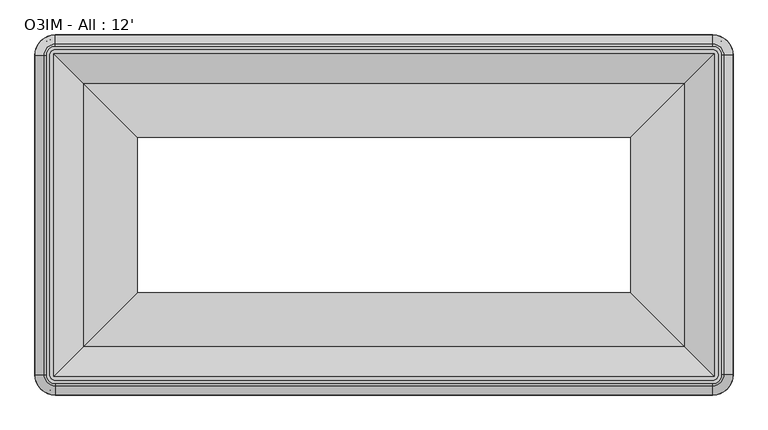
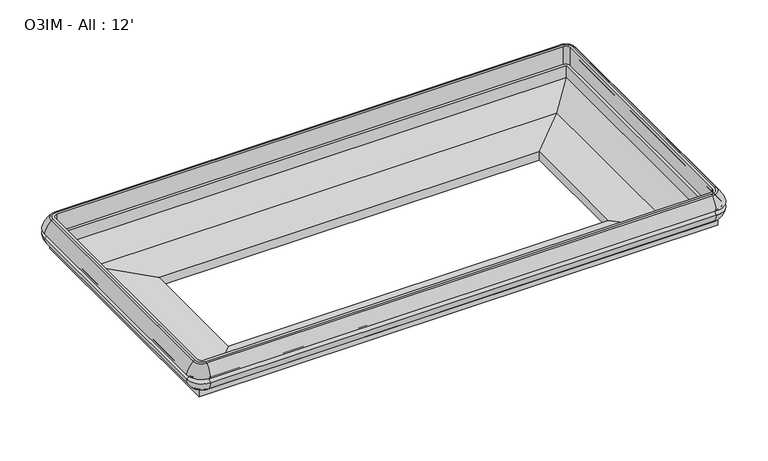
"""IFC4 building model written with IfcOpenShell, lengths in millimetres: proxy geometry, O3IM - All : 12'."""

from ifc_helpers import new_model, si_unit, point, frame, origin, place, context, project, spatial, polyline, circle_curve, ellipse_curve, trimmed, faceted_brep, source, transform, mapped, element, save
from ifc_brep_helpers import plane_surface, cylinder_surface, revolved_surface, advanced_brep


def o3im_all_12_ffe482c5(model_context):
    return source(origin(), model_context, "Body", "SolidModel", [
        advanced_brep(
        [(3821.7474506, -2298.62165, 664.6065482), (3770.3627227, -2350.0063779, 664.6065482), (3770.3627227, -2360.7928007, 660.3792394), (3832.5338734, -2298.62165, 660.3792394), (3801.3161501, -2298.62165, 529.6852408), (3770.3627227, -2329.5750774, 529.6852408), (3770.3627227, -2329.5750774, 664.6065482), (3801.3161501, -2298.62165, 664.6065482), (3816.876808, -2298.62165, 475.7067482), (3770.3627227, -2345.1357353, 475.7067482), (3770.3627227, -2345.1357353, 529.6852408), (3816.876808, -2298.62165, 529.6852408), (3853.8137761, -2298.62165, 477.8552864), (3770.3627227, -2382.0727034, 477.8552864), (3770.3627227, -2377.311378, 475.7067482), (3849.0524507, -2298.62165, 475.7067482), (3883.9869771, -2298.62165, 541.7869334), (3770.3627227, -2412.2459044, 541.7869334), (3883.3308536, -2298.62165, 576.4502877), (3770.3627227, -2411.5897809, 576.4502877), (3832.5338734, -530.0462046, 660.3792394), (3821.7474506, -530.0462046, 664.6065482), (3801.3161501, -530.0462046, 664.6065482), (3801.3161501, -530.0462046, 529.6852408), (3816.876808, -530.0462046, 529.6852408), (3816.876808, -530.0462046, 475.7067482), (3849.0524507, -530.0462046, 475.7067482), (3853.8137761, -530.0462046, 477.8552864), (3883.9869771, -530.0462046, 541.7869334), (3883.3308536, -530.0462046, 576.4502877), (3770.3627227, -478.6614766, 664.6065482), (3770.3627227, -467.8750539, 660.3792394), (3770.3627227, -499.0927772, 529.6852408), (3770.3627227, -499.0927772, 664.6065482), (3770.3627227, -483.5321193, 475.7067482), (3770.3627227, -483.5321193, 529.6852408), (3770.3627227, -446.5951512, 477.8552864), (3770.3627227, -451.3564766, 475.7067482), (3770.3627227, -416.4219502, 541.7869334), (3770.3627227, -417.0780737, 576.4502877), (128.5372773, -467.8750539, 660.3792394), (128.5372773, -478.6614766, 664.6065482), (128.5372773, -499.0927772, 664.6065482), (128.5372773, -499.0927772, 529.6852408), (128.5372773, -483.5321193, 529.6852408), (128.5372773, -483.5321193, 475.7067482), (128.5372773, -451.3564766, 475.7067482), (128.5372773, -446.5951512, 477.8552864), (128.5372773, -416.4219502, 541.7869334), (128.5372773, -417.0780737, 576.4502877), (77.1525494, -530.0462046, 664.6065482), (66.3661266, -530.0462046, 660.3792394), (97.5838499, -530.0462046, 529.6852408), (97.5838499, -530.0462046, 664.6065482), (82.023192, -530.0462046, 475.7067482), (82.023192, -530.0462046, 529.6852408), (45.0862239, -530.0462046, 477.8552864), (49.8475493, -530.0462046, 475.7067482), (14.9130229, -530.0462046, 541.7869334), (15.5691464, -530.0462046, 576.4502877), (66.3661266, -2298.62165, 660.3792394), (77.1525494, -2298.62165, 664.6065482), (97.5838499, -2298.62165, 664.6065482), (97.5838499, -2298.62165, 529.6852408), (82.023192, -2298.62165, 529.6852408), (82.023192, -2298.62165, 475.7067482), (49.8475493, -2298.62165, 475.7067482), (45.0862239, -2298.62165, 477.8552864), (14.9130229, -2298.62165, 541.7869334), (15.5691464, -2298.62165, 576.4502877), (128.5372773, -2350.0063779, 664.6065482), (128.5372773, -2360.7928007, 660.3792394), (128.5372773, -2329.5750774, 529.6852408), (128.5372773, -2329.5750774, 664.6065482), (128.5372773, -2345.1357353, 475.7067482), (128.5372773, -2345.1357353, 529.6852408), (128.5372773, -2382.0727034, 477.8552864), (128.5372773, -2377.311378, 475.7067482), (128.5372773, -2412.2459044, 541.7869334), (128.5372773, -2411.5897809, 576.4502877)],
        [
            (0, 1, circle_curve(frame((3770.3627227, -2298.62165, 664.6065482), z_axis=(0.0, 0.0, -1.0), x_axis=(0.0, -1.0, 0.0)), 51.3847279)),
            (1, 2, circle_curve(frame((3770.3627227, -2350.0063779, 648.7315482), z_axis=(1.0, 0.0, 0.0), x_axis=(0.0, 1.0, 0.0)), 15.875)),
            (2, 3, circle_curve(frame((3770.3627227, -2298.62165, 660.3792394), z_axis=(0.0, 0.0, 1.0), x_axis=(0.0, -1.0, 0.0)), 62.1711507)),
            (3, 0, circle_curve(frame((3821.7474506, -2298.62165, 648.7315482), z_axis=(0.0, -1.0, 0.0), x_axis=(-1.0, 0.0, 0.0)), 15.875)),
            (4, 5, circle_curve(frame((3770.3627227, -2298.62165, 529.6852408), z_axis=(0.0, 0.0, -1.0), x_axis=(0.0, -1.0, 0.0)), 30.9534273)),
            (5, 6),
            (6, 7, circle_curve(frame((3770.3627227, -2298.62165, 664.6065482), z_axis=(0.0, 0.0, 1.0), x_axis=(0.0, -1.0, 0.0)), 30.9534273)),
            (7, 4),
            (8, 9, circle_curve(frame((3770.3627227, -2298.62165, 475.7067482), z_axis=(0.0, 0.0, -1.0), x_axis=(0.0, -1.0, 0.0)), 46.5140852)),
            (9, 10),
            (10, 11, circle_curve(frame((3770.3627227, -2298.62165, 529.6852408), z_axis=(0.0, 0.0, 1.0), x_axis=(0.0, -1.0, 0.0)), 46.5140852)),
            (11, 8),
            (12, 13, circle_curve(frame((3770.3627227, -2298.62165, 477.8552864), z_axis=(0.0, 0.0, -1.0), x_axis=(0.0, -1.0, 0.0)), 83.4510533)),
            (13, 14, circle_curve(frame((3770.3627227, -2377.311378, 482.0567481), z_axis=(1.0, 0.0, 0.0), x_axis=(0.0, 1.0, 0.0)), 6.35)),
            (14, 15, circle_curve(frame((3770.3627227, -2298.62165, 475.7067482), z_axis=(0.0, 0.0, 1.0), x_axis=(0.0, -1.0, 0.0)), 78.689728)),
            (15, 12, circle_curve(frame((3849.0524507, -2298.62165, 482.0567481), z_axis=(0.0, -1.0, 0.0), x_axis=(-1.0, 0.0, 0.0)), 6.35)),
            (16, 17, circle_curve(frame((3770.3627227, -2298.62165, 541.7869334), z_axis=(0.0, 0.0, -1.0), x_axis=(0.0, -1.0, 0.0)), 113.6242544)),
            (17, 13, circle_curve(frame((3770.3627227, -2286.8461955, 561.8845207), z_axis=(1.0, 0.0, 0.0), x_axis=(0.0, 1.0, 0.0)), 127.0)),
            (12, 16, circle_curve(frame((3758.5872682, -2298.62165, 561.8845207), z_axis=(0.0, -1.0, 0.0), x_axis=(-1.0, 0.0, 0.0)), 127.0)),
            (18, 19, circle_curve(frame((3770.3627227, -2298.62165, 576.4502877), z_axis=(0.0, 0.0, -1.0), x_axis=(0.0, -1.0, 0.0)), 112.9681309)),
            (19, 17, circle_curve(frame((3770.3627227, -2409.555689, 559.0738987), z_axis=(-1.0, 0.0, 0.0), x_axis=(0.0, 1.0, 0.0)), 17.49504)),
            (16, 18, circle_curve(frame((3881.2967617, -2298.62165, 559.0738987), z_axis=(0.0, 1.0, 0.0), x_axis=(-1.0, 0.0, 0.0)), 17.49504)),
            (2, 19, circle_curve(frame((3770.3627227, -2239.9848663, 529.9250981), z_axis=(1.0, 0.0, 0.0), x_axis=(0.0, 1.0, 0.0)), 177.7999999)),
            (18, 3, circle_curve(frame((3711.725939, -2298.62165, 529.9250981), z_axis=(0.0, -1.0, 0.0), x_axis=(-1.0, 0.0, 0.0)), 177.7999999)),
            (3, 20),
            (20, 21, circle_curve(frame((3821.7474506, -530.0462046, 648.7315482), z_axis=(0.0, -1.0, 0.0), x_axis=(-1.0, 0.0, 0.0)), 15.875)),
            (21, 0),
            (7, 22),
            (22, 23),
            (23, 4),
            (11, 24),
            (24, 25),
            (25, 8),
            (15, 26),
            (26, 27, circle_curve(frame((3849.0524507, -530.0462046, 482.0567481), z_axis=(0.0, -1.0, 0.0), x_axis=(-1.0, 0.0, 0.0)), 6.35)),
            (27, 12),
            (27, 28, circle_curve(frame((3758.5872682, -530.0462046, 561.8845207), z_axis=(0.0, -1.0, 0.0), x_axis=(-1.0, 0.0, 0.0)), 127.0)),
            (28, 16),
            (28, 29, circle_curve(frame((3881.2967617, -530.0462046, 559.0738987), z_axis=(0.0, 1.0, 0.0), x_axis=(-1.0, 0.0, 0.0)), 17.49504)),
            (29, 18),
            (29, 20, circle_curve(frame((3711.725939, -530.0462046, 529.9250981), z_axis=(0.0, -1.0, 0.0), x_axis=(-1.0, 0.0, 0.0)), 177.7999999)),
            (30, 21, circle_curve(frame((3770.3627227, -530.0462046, 664.6065482), z_axis=(0.0, 0.0, -1.0), x_axis=(1.0, 0.0, 0.0)), 51.3847279)),
            (20, 31, circle_curve(frame((3770.3627227, -530.0462046, 660.3792394), z_axis=(0.0, 0.0, 1.0), x_axis=(1.0, 0.0, 0.0)), 62.1711507)),
            (31, 30, circle_curve(frame((3770.3627227, -478.6614766, 648.7315482), z_axis=(1.0, 0.0, 0.0), x_axis=(0.0, -1.0, 0.0)), 15.875)),
            (32, 23, circle_curve(frame((3770.3627227, -530.0462046, 529.6852408), z_axis=(0.0, 0.0, -1.0), x_axis=(1.0, 0.0, 0.0)), 30.9534273)),
            (22, 33, circle_curve(frame((3770.3627227, -530.0462046, 664.6065482), z_axis=(0.0, 0.0, 1.0), x_axis=(1.0, 0.0, 0.0)), 30.9534273)),
            (33, 32),
            (34, 25, circle_curve(frame((3770.3627227, -530.0462046, 475.7067482), z_axis=(0.0, 0.0, -1.0), x_axis=(1.0, 0.0, 0.0)), 46.5140852)),
            (24, 35, circle_curve(frame((3770.3627227, -530.0462046, 529.6852408), z_axis=(0.0, 0.0, 1.0), x_axis=(1.0, 0.0, 0.0)), 46.5140852)),
            (35, 34),
            (36, 27, circle_curve(frame((3770.3627227, -530.0462046, 477.8552864), z_axis=(0.0, 0.0, -1.0), x_axis=(1.0, 0.0, 0.0)), 83.4510533)),
            (26, 37, circle_curve(frame((3770.3627227, -530.0462046, 475.7067482), z_axis=(0.0, 0.0, 1.0), x_axis=(1.0, 0.0, 0.0)), 78.689728)),
            (37, 36, circle_curve(frame((3770.3627227, -451.3564766, 482.0567481), z_axis=(1.0, 0.0, 0.0), x_axis=(0.0, -1.0, 0.0)), 6.35)),
            (38, 28, circle_curve(frame((3770.3627227, -530.0462046, 541.7869334), z_axis=(0.0, 0.0, -1.0), x_axis=(1.0, 0.0, 0.0)), 113.6242544)),
            (36, 38, circle_curve(frame((3770.3627227, -541.8216591, 561.8845207), z_axis=(1.0, 0.0, 0.0), x_axis=(0.0, -1.0, 0.0)), 127.0)),
            (39, 29, circle_curve(frame((3770.3627227, -530.0462046, 576.4502877), z_axis=(0.0, 0.0, -1.0), x_axis=(1.0, 0.0, 0.0)), 112.9681309)),
            (38, 39, circle_curve(frame((3770.3627227, -419.1121656, 559.0738987), z_axis=(-1.0, 0.0, 0.0), x_axis=(0.0, -1.0, 0.0)), 17.49504)),
            (39, 31, circle_curve(frame((3770.3627227, -588.6829883, 529.9250981), z_axis=(1.0, 0.0, 0.0), x_axis=(0.0, -1.0, 0.0)), 177.7999999)),
            (31, 40),
            (40, 41, circle_curve(frame((128.5372773, -478.6614766, 648.7315482), z_axis=(1.0, 0.0, 0.0), x_axis=(0.0, -1.0, 0.0)), 15.875)),
            (41, 30),
            (33, 42),
            (42, 43),
            (43, 32),
            (35, 44),
            (44, 45),
            (45, 34),
            (37, 46),
            (46, 47, circle_curve(frame((128.5372773, -451.3564766, 482.0567481), z_axis=(1.0, 0.0, 0.0), x_axis=(0.0, -1.0, 0.0)), 6.35)),
            (47, 36),
            (47, 48, circle_curve(frame((128.5372773, -541.8216591, 561.8845207), z_axis=(1.0, 0.0, 0.0), x_axis=(0.0, -1.0, 0.0)), 127.0)),
            (48, 38),
            (48, 49, circle_curve(frame((128.5372773, -419.1121656, 559.0738987), z_axis=(-1.0, 0.0, 0.0), x_axis=(0.0, -1.0, 0.0)), 17.49504)),
            (49, 39),
            (49, 40, circle_curve(frame((128.5372773, -588.6829883, 529.9250981), z_axis=(1.0, 0.0, 0.0), x_axis=(0.0, -1.0, 0.0)), 177.7999999)),
            (50, 41, circle_curve(frame((128.5372773, -530.0462046, 664.6065482), z_axis=(0.0, 0.0, -1.0), x_axis=(0.0, 1.0, 0.0)), 51.3847279)),
            (40, 51, circle_curve(frame((128.5372773, -530.0462046, 660.3792394), z_axis=(0.0, 0.0, 1.0), x_axis=(0.0, 1.0, 0.0)), 62.1711507)),
            (51, 50, circle_curve(frame((77.1525494, -530.0462046, 648.7315482), z_axis=(0.0, 1.0, 0.0), x_axis=(1.0, 0.0, 0.0)), 15.875)),
            (52, 43, circle_curve(frame((128.5372773, -530.0462046, 529.6852408), z_axis=(0.0, 0.0, -1.0), x_axis=(0.0, 1.0, 0.0)), 30.9534273)),
            (42, 53, circle_curve(frame((128.5372773, -530.0462046, 664.6065482), z_axis=(0.0, 0.0, 1.0), x_axis=(0.0, 1.0, 0.0)), 30.9534273)),
            (53, 52),
            (54, 45, circle_curve(frame((128.5372773, -530.0462046, 475.7067482), z_axis=(0.0, 0.0, -1.0), x_axis=(0.0, 1.0, 0.0)), 46.5140852)),
            (44, 55, circle_curve(frame((128.5372773, -530.0462046, 529.6852408), z_axis=(0.0, 0.0, 1.0), x_axis=(0.0, 1.0, 0.0)), 46.5140852)),
            (55, 54),
            (56, 47, circle_curve(frame((128.5372773, -530.0462046, 477.8552864), z_axis=(0.0, 0.0, -1.0), x_axis=(0.0, 1.0, 0.0)), 83.4510533)),
            (46, 57, circle_curve(frame((128.5372773, -530.0462046, 475.7067482), z_axis=(0.0, 0.0, 1.0), x_axis=(0.0, 1.0, 0.0)), 78.689728)),
            (57, 56, circle_curve(frame((49.8475493, -530.0462046, 482.0567481), z_axis=(0.0, 1.0, 0.0), x_axis=(1.0, 0.0, 0.0)), 6.35)),
            (58, 48, circle_curve(frame((128.5372773, -530.0462046, 541.7869334), z_axis=(0.0, 0.0, -1.0), x_axis=(0.0, 1.0, 0.0)), 113.6242544)),
            (56, 58, circle_curve(frame((140.3127318, -530.0462046, 561.8845207), z_axis=(0.0, 1.0, 0.0), x_axis=(1.0, 0.0, 0.0)), 127.0)),
            (59, 49, circle_curve(frame((128.5372773, -530.0462046, 576.4502877), z_axis=(0.0, 0.0, -1.0), x_axis=(0.0, 1.0, 0.0)), 112.9681309)),
            (58, 59, circle_curve(frame((17.6032383, -530.0462046, 559.0738987), z_axis=(0.0, -1.0, 0.0), x_axis=(1.0, 0.0, 0.0)), 17.49504)),
            (59, 51, circle_curve(frame((187.174061, -530.0462046, 529.9250981), z_axis=(0.0, 1.0, 0.0), x_axis=(1.0, 0.0, 0.0)), 177.7999999)),
            (51, 60),
            (60, 61, circle_curve(frame((77.1525494, -2298.62165, 648.7315482), z_axis=(0.0, 1.0, 0.0), x_axis=(1.0, 0.0, 0.0)), 15.875)),
            (61, 50),
            (53, 62),
            (62, 63),
            (63, 52),
            (55, 64),
            (64, 65),
            (65, 54),
            (57, 66),
            (66, 67, circle_curve(frame((49.8475493, -2298.62165, 482.0567481), z_axis=(0.0, 1.0, 0.0), x_axis=(1.0, 0.0, 0.0)), 6.35)),
            (67, 56),
            (67, 68, circle_curve(frame((140.3127318, -2298.62165, 561.8845207), z_axis=(0.0, 1.0, 0.0), x_axis=(1.0, 0.0, 0.0)), 127.0)),
            (68, 58),
            (68, 69, circle_curve(frame((17.6032383, -2298.62165, 559.0738987), z_axis=(0.0, -1.0, 0.0), x_axis=(1.0, 0.0, 0.0)), 17.49504)),
            (69, 59),
            (69, 60, circle_curve(frame((187.174061, -2298.62165, 529.9250981), z_axis=(0.0, 1.0, 0.0), x_axis=(1.0, 0.0, 0.0)), 177.7999999)),
            (70, 61, circle_curve(frame((128.5372773, -2298.62165, 664.6065482), z_axis=(0.0, 0.0, -1.0), x_axis=(-1.0, 0.0, 0.0)), 51.3847279)),
            (60, 71, circle_curve(frame((128.5372773, -2298.62165, 660.3792394), z_axis=(0.0, 0.0, 1.0), x_axis=(-1.0, 0.0, 0.0)), 62.1711507)),
            (71, 70, circle_curve(frame((128.5372773, -2350.0063779, 648.7315482), z_axis=(-1.0, 0.0, 0.0), x_axis=(0.0, 1.0, 0.0)), 15.875)),
            (72, 63, circle_curve(frame((128.5372773, -2298.62165, 529.6852408), z_axis=(0.0, 0.0, -1.0), x_axis=(-1.0, 0.0, 0.0)), 30.9534273)),
            (62, 73, circle_curve(frame((128.5372773, -2298.62165, 664.6065482), z_axis=(0.0, 0.0, 1.0), x_axis=(-1.0, 0.0, 0.0)), 30.9534273)),
            (73, 72),
            (74, 65, circle_curve(frame((128.5372773, -2298.62165, 475.7067482), z_axis=(0.0, 0.0, -1.0), x_axis=(-1.0, 0.0, 0.0)), 46.5140852)),
            (64, 75, circle_curve(frame((128.5372773, -2298.62165, 529.6852408), z_axis=(0.0, 0.0, 1.0), x_axis=(-1.0, 0.0, 0.0)), 46.5140852)),
            (75, 74),
            (76, 67, circle_curve(frame((128.5372773, -2298.62165, 477.8552864), z_axis=(0.0, 0.0, -1.0), x_axis=(-1.0, 0.0, 0.0)), 83.4510533)),
            (66, 77, circle_curve(frame((128.5372773, -2298.62165, 475.7067482), z_axis=(0.0, 0.0, 1.0), x_axis=(-1.0, 0.0, 0.0)), 78.689728)),
            (77, 76, circle_curve(frame((128.5372773, -2377.311378, 482.0567481), z_axis=(-1.0, 0.0, 0.0), x_axis=(0.0, 1.0, 0.0)), 6.35)),
            (78, 68, circle_curve(frame((128.5372773, -2298.62165, 541.7869334), z_axis=(0.0, 0.0, -1.0), x_axis=(-1.0, 0.0, 0.0)), 113.6242544)),
            (76, 78, circle_curve(frame((128.5372773, -2286.8461955, 561.8845207), z_axis=(-1.0, 0.0, 0.0), x_axis=(0.0, 1.0, 0.0)), 127.0)),
            (79, 69, circle_curve(frame((128.5372773, -2298.62165, 576.4502877), z_axis=(0.0, 0.0, -1.0), x_axis=(-1.0, 0.0, 0.0)), 112.9681309)),
            (78, 79, circle_curve(frame((128.5372773, -2409.555689, 559.0738987), z_axis=(1.0, 0.0, 0.0), x_axis=(0.0, 1.0, 0.0)), 17.49504)),
            (79, 71, circle_curve(frame((128.5372773, -2239.9848663, 529.9250981), z_axis=(-1.0, 0.0, 0.0), x_axis=(0.0, 1.0, 0.0)), 177.7999999)),
            (71, 2),
            (1, 70),
            (6, 73),
            (5, 72),
            (10, 75),
            (9, 74),
            (14, 77),
            (13, 76),
            (17, 78),
            (19, 79),
        ],
        [
            revolved_surface(trimmed(ellipse_curve(frame((3770.3627227, -2350.0063779, 648.7315482), z_axis=(-1.0, 0.0, 0.0), x_axis=(0.0, 1.0, 0.0)), 15.875, 15.875), [point((3770.3627227, -2360.7928007, 660.3792394))], [point((3770.3627227, -2350.0063779, 664.6065482))], True, "CARTESIAN"), (3770.3627227, -2298.62165, 0.0), (0.0, 0.0, 1.0)),
            revolved_surface(polyline([(3770.3627227, -2329.5750773, 664.6065482), (3770.3627227, -2329.5750773, 529.6852408)]), (3770.3627227, -2298.62165, 0.0), (0.0, 0.0, 1.0)),
            revolved_surface(polyline([(3770.3627227, -2345.1357352, 529.6852408), (3770.3627227, -2345.1357352, 475.7067482)]), (3770.3627227, -2298.62165, 0.0), (0.0, 0.0, 1.0)),
            revolved_surface(trimmed(ellipse_curve(frame((3770.3627227, -2377.311378, 482.0567481), z_axis=(-1.0, 0.0, 0.0), x_axis=(0.0, 1.0, 0.0)), 6.35, 6.35), [point((3770.3627227, -2377.311378, 475.7067482))], [point((3770.3627227, -2382.0727034, 477.8552864))], True, "CARTESIAN"), (3770.3627227, -2298.62165, 0.0), (0.0, 0.0, 1.0)),
            revolved_surface(trimmed(ellipse_curve(frame((3770.3627227, -2286.8461955, 561.8845207), z_axis=(-1.0, 0.0, 0.0), x_axis=(0.0, 1.0, 0.0)), 127.0, 127.0), [point((3770.3627227, -2382.0727034, 477.8552864))], [point((3770.3627227, -2412.2459044, 541.7869334))], True, "CARTESIAN"), (3770.3627227, -2298.62165, 0.0), (0.0, 0.0, 1.0)),
            revolved_surface(trimmed(ellipse_curve(frame((3770.3627227, -2409.555689, 559.0738987), z_axis=(1.0, 0.0, 0.0), x_axis=(0.0, 1.0, 0.0)), 17.49504, 17.49504), [point((3770.3627227, -2412.2459044, 541.7869334))], [point((3770.3627227, -2411.5897809, 576.4502877))], True, "CARTESIAN"), (3770.3627227, -2298.62165, 0.0), (0.0, 0.0, 1.0)),
            revolved_surface(trimmed(ellipse_curve(frame((3770.3627227, -2239.9848663, 529.9250981), z_axis=(-1.0, 0.0, 0.0), x_axis=(0.0, 1.0, 0.0)), 177.7999999, 177.7999999), [point((3770.3627227, -2411.5897809, 576.4502877))], [point((3770.3627227, -2360.7928007, 660.3792394))], True, "CARTESIAN"), (3770.3627227, -2298.62165, 0.0), (0.0, 0.0, 1.0)),
            cylinder_surface(frame((3821.7474506, -2298.62165, 648.7315482), z_axis=(0.0, -1.0, 0.0), x_axis=(-1.0, 0.0, 0.0)), 15.875),
            plane_surface(frame((3801.3161501, -2298.62165, 664.6065482), z_axis=(-1.0, 0.0, 0.0), x_axis=(0.0, 1.0, 0.0))),
            plane_surface(frame((3816.876808, -2298.62165, 529.6852408), z_axis=(-1.0, 0.0, 0.0), x_axis=(0.0, 1.0, 0.0))),
            cylinder_surface(frame((3849.0524507, -2298.62165, 482.0567481), z_axis=(0.0, -1.0, 0.0), x_axis=(-1.0, 0.0, 0.0)), 6.35),
            cylinder_surface(frame((3758.5872682, -2298.62165, 561.8845207), z_axis=(0.0, -1.0, 0.0), x_axis=(-1.0, 0.0, 0.0)), 127.0),
            revolved_surface(polyline([(3863.8017217, -530.0462046, 559.0738987), (3863.8017217, -2298.62165, 559.0738987)]), (3881.2967617, -2298.62165, 559.0738987), (0.0, 1.0, 0.0)),
            cylinder_surface(frame((3711.725939, -2298.62165, 529.9250981), z_axis=(0.0, -1.0, 0.0), x_axis=(-1.0, 0.0, 0.0)), 177.7999999),
            revolved_surface(trimmed(ellipse_curve(frame((3821.7474506, -530.0462046, 648.7315482), z_axis=(0.0, -1.0, 0.0), x_axis=(-1.0, 0.0, 0.0)), 15.875, 15.875), [point((3832.5338734, -530.0462046, 660.3792394))], [point((3821.7474506, -530.0462046, 664.6065482))], True, "CARTESIAN"), (3770.3627227, -530.0462046, 0.0), (0.0, 0.0, 1.0)),
            revolved_surface(polyline([(3801.31615, -530.0462046, 664.6065482), (3801.31615, -530.0462046, 529.6852408)]), (3770.3627227, -530.0462046, 0.0), (0.0, 0.0, 1.0)),
            revolved_surface(polyline([(3816.8768079, -530.0462046, 529.6852408), (3816.8768079, -530.0462046, 475.7067482)]), (3770.3627227, -530.0462046, 0.0), (0.0, 0.0, 1.0)),
            revolved_surface(trimmed(ellipse_curve(frame((3849.0524507, -530.0462046, 482.0567481), z_axis=(0.0, -1.0, 0.0), x_axis=(-1.0, 0.0, 0.0)), 6.35, 6.35), [point((3849.0524507, -530.0462046, 475.7067482))], [point((3853.8137761, -530.0462046, 477.8552864))], True, "CARTESIAN"), (3770.3627227, -530.0462046, 0.0), (0.0, 0.0, 1.0)),
            revolved_surface(trimmed(ellipse_curve(frame((3758.5872682, -530.0462046, 561.8845207), z_axis=(0.0, -1.0, 0.0), x_axis=(-1.0, 0.0, 0.0)), 127.0, 127.0), [point((3853.8137761, -530.0462046, 477.8552864))], [point((3883.9869771, -530.0462046, 541.7869334))], True, "CARTESIAN"), (3770.3627227, -530.0462046, 0.0), (0.0, 0.0, 1.0)),
            revolved_surface(trimmed(ellipse_curve(frame((3881.2967617, -530.0462046, 559.0738987), z_axis=(0.0, 1.0, 0.0), x_axis=(-1.0, 0.0, 0.0)), 17.49504, 17.49504), [point((3883.9869771, -530.0462046, 541.7869334))], [point((3883.3308536, -530.0462046, 576.4502877))], True, "CARTESIAN"), (3770.3627227, -530.0462046, 0.0), (0.0, 0.0, 1.0)),
            revolved_surface(trimmed(ellipse_curve(frame((3711.725939, -530.0462046, 529.9250981), z_axis=(0.0, -1.0, 0.0), x_axis=(-1.0, 0.0, 0.0)), 177.7999999, 177.7999999), [point((3883.3308536, -530.0462046, 576.4502877))], [point((3832.5338734, -530.0462046, 660.3792394))], True, "CARTESIAN"), (3770.3627227, -530.0462046, 0.0), (0.0, 0.0, 1.0)),
            cylinder_surface(frame((3770.3627227, -478.6614766, 648.7315482), z_axis=(1.0, 0.0, 0.0), x_axis=(0.0, -1.0, 0.0)), 15.875),
            plane_surface(frame((3770.3627227, -499.0927772, 664.6065482), z_axis=(0.0, -1.0, 0.0), x_axis=(-1.0, 0.0, 0.0))),
            plane_surface(frame((3770.3627227, -483.5321193, 529.6852408), z_axis=(0.0, -1.0, 0.0), x_axis=(-1.0, 0.0, 0.0))),
            cylinder_surface(frame((3770.3627227, -451.3564766, 482.0567481), z_axis=(1.0, 0.0, 0.0), x_axis=(0.0, -1.0, 0.0)), 6.35),
            cylinder_surface(frame((3770.3627227, -541.8216591, 561.8845207), z_axis=(1.0, 0.0, 0.0), x_axis=(0.0, -1.0, 0.0)), 127.0),
            revolved_surface(polyline([(128.53727729999991, -436.60720560000004, 559.0738987), (3770.3627227, -436.60720560000004, 559.0738987)]), (3770.3627227, -419.1121656, 559.0738987), (-1.0, 0.0, 0.0)),
            cylinder_surface(frame((3770.3627227, -588.6829883, 529.9250981), z_axis=(1.0, 0.0, 0.0), x_axis=(0.0, -1.0, 0.0)), 177.7999999),
            revolved_surface(trimmed(ellipse_curve(frame((128.5372773, -478.6614766, 648.7315482), z_axis=(1.0, 0.0, 0.0), x_axis=(0.0, -1.0, 0.0)), 15.875, 15.875), [point((128.5372773, -467.8750539, 660.3792394))], [point((128.5372773, -478.6614766, 664.6065482))], True, "CARTESIAN"), (128.5372773, -530.0462046, 0.0), (0.0, 0.0, 1.0)),
            revolved_surface(polyline([(128.5372773, -499.0927773, 664.6065482), (128.5372773, -499.0927773, 529.6852408)]), (128.5372773, -530.0462046, 0.0), (0.0, 0.0, 1.0)),
            revolved_surface(polyline([(128.5372773, -483.5321194, 529.6852408), (128.5372773, -483.5321194, 475.7067482)]), (128.5372773, -530.0462046, 0.0), (0.0, 0.0, 1.0)),
            revolved_surface(trimmed(ellipse_curve(frame((128.5372773, -451.3564766, 482.0567481), z_axis=(1.0, 0.0, 0.0), x_axis=(0.0, -1.0, 0.0)), 6.35, 6.35), [point((128.5372773, -451.3564766, 475.7067482))], [point((128.5372773, -446.5951512, 477.8552864))], True, "CARTESIAN"), (128.5372773, -530.0462046, 0.0), (0.0, 0.0, 1.0)),
            revolved_surface(trimmed(ellipse_curve(frame((128.5372773, -541.8216591, 561.8845207), z_axis=(1.0, 0.0, 0.0), x_axis=(0.0, -1.0, 0.0)), 127.0, 127.0), [point((128.5372773, -446.5951512, 477.8552864))], [point((128.5372773, -416.4219502, 541.7869334))], True, "CARTESIAN"), (128.5372773, -530.0462046, 0.0), (0.0, 0.0, 1.0)),
            revolved_surface(trimmed(ellipse_curve(frame((128.5372773, -419.1121656, 559.0738987), z_axis=(-1.0, 0.0, 0.0), x_axis=(0.0, -1.0, 0.0)), 17.49504, 17.49504), [point((128.5372773, -416.4219502, 541.7869334))], [point((128.5372773, -417.0780737, 576.4502877))], True, "CARTESIAN"), (128.5372773, -530.0462046, 0.0), (0.0, 0.0, 1.0)),
            revolved_surface(trimmed(ellipse_curve(frame((128.5372773, -588.6829883, 529.9250981), z_axis=(1.0, 0.0, 0.0), x_axis=(0.0, -1.0, 0.0)), 177.7999999, 177.7999999), [point((128.5372773, -417.0780737, 576.4502877))], [point((128.5372773, -467.8750539, 660.3792394))], True, "CARTESIAN"), (128.5372773, -530.0462046, 0.0), (0.0, 0.0, 1.0)),
            cylinder_surface(frame((77.1525494, -530.0462046, 648.7315482), z_axis=(0.0, 1.0, 0.0), x_axis=(1.0, 0.0, 0.0)), 15.875),
            plane_surface(frame((97.5838499, -530.0462046, 664.6065482), z_axis=(1.0, 0.0, 0.0), x_axis=(0.0, -1.0, 0.0))),
            plane_surface(frame((82.023192, -530.0462046, 529.6852408), z_axis=(1.0, 0.0, 0.0), x_axis=(0.0, -1.0, 0.0))),
            cylinder_surface(frame((49.8475493, -530.0462046, 482.0567481), z_axis=(0.0, 1.0, 0.0), x_axis=(1.0, 0.0, 0.0)), 6.35),
            cylinder_surface(frame((140.3127318, -530.0462046, 561.8845207), z_axis=(0.0, 1.0, 0.0), x_axis=(1.0, 0.0, 0.0)), 127.0),
            revolved_surface(polyline([(35.098278300000004, -2298.62165, 559.0738987), (35.098278300000004, -530.0462046, 559.0738987)]), (17.6032383, -530.0462046, 559.0738987), (0.0, -1.0, 0.0)),
            cylinder_surface(frame((187.174061, -530.0462046, 529.9250981), z_axis=(0.0, 1.0, 0.0), x_axis=(1.0, 0.0, 0.0)), 177.7999999),
            revolved_surface(trimmed(ellipse_curve(frame((77.1525494, -2298.62165, 648.7315482), z_axis=(0.0, 1.0, 0.0), x_axis=(1.0, 0.0, 0.0)), 15.875, 15.875), [point((66.3661266, -2298.62165, 660.3792394))], [point((77.1525494, -2298.62165, 664.6065482))], True, "CARTESIAN"), (128.5372773, -2298.62165, 0.0), (0.0, 0.0, 1.0)),
            revolved_surface(polyline([(97.58385, -2298.62165, 664.6065482), (97.58385, -2298.62165, 529.6852408)]), (128.5372773, -2298.62165, 0.0), (0.0, 0.0, 1.0)),
            revolved_surface(polyline([(82.0231921, -2298.62165, 529.6852408), (82.0231921, -2298.62165, 475.7067482)]), (128.5372773, -2298.62165, 0.0), (0.0, 0.0, 1.0)),
            revolved_surface(trimmed(ellipse_curve(frame((49.8475493, -2298.62165, 482.0567481), z_axis=(0.0, 1.0, 0.0), x_axis=(1.0, 0.0, 0.0)), 6.35, 6.35), [point((49.8475493, -2298.62165, 475.7067482))], [point((45.0862239, -2298.62165, 477.8552864))], True, "CARTESIAN"), (128.5372773, -2298.62165, 0.0), (0.0, 0.0, 1.0)),
            revolved_surface(trimmed(ellipse_curve(frame((140.3127318, -2298.62165, 561.8845207), z_axis=(0.0, 1.0, 0.0), x_axis=(1.0, 0.0, 0.0)), 127.0, 127.0), [point((45.0862239, -2298.62165, 477.8552864))], [point((14.9130229, -2298.62165, 541.7869334))], True, "CARTESIAN"), (128.5372773, -2298.62165, 0.0), (0.0, 0.0, 1.0)),
            revolved_surface(trimmed(ellipse_curve(frame((17.6032383, -2298.62165, 559.0738987), z_axis=(0.0, -1.0, 0.0), x_axis=(1.0, 0.0, 0.0)), 17.49504, 17.49504), [point((14.9130229, -2298.62165, 541.7869334))], [point((15.5691464, -2298.62165, 576.4502877))], True, "CARTESIAN"), (128.5372773, -2298.62165, 0.0), (0.0, 0.0, 1.0)),
            revolved_surface(trimmed(ellipse_curve(frame((187.174061, -2298.62165, 529.9250981), z_axis=(0.0, 1.0, 0.0), x_axis=(1.0, 0.0, 0.0)), 177.7999999, 177.7999999), [point((15.5691464, -2298.62165, 576.4502877))], [point((66.3661266, -2298.62165, 660.3792394))], True, "CARTESIAN"), (128.5372773, -2298.62165, 0.0), (0.0, 0.0, 1.0)),
            cylinder_surface(frame((128.5372773, -2350.0063779, 648.7315482), z_axis=(-1.0, 0.0, 0.0), x_axis=(0.0, 1.0, 0.0)), 15.875),
            plane_surface(frame((128.5372773, -2350.0063779, 664.6065482), z_axis=(0.0, 0.0, 1.0), x_axis=(1.0, 0.0, 0.0))),
            plane_surface(frame((128.5372773, -2329.5750774, 664.6065482), z_axis=(0.0, 1.0, 0.0), x_axis=(1.0, 0.0, 0.0))),
            plane_surface(frame((128.5372773, -2329.5750774, 529.6852408), z_axis=(0.0, 0.0, -1.0), x_axis=(1.0, 0.0, 0.0))),
            plane_surface(frame((128.5372773, -2345.1357353, 529.6852408), z_axis=(0.0, 1.0, 0.0), x_axis=(1.0, 0.0, 0.0))),
            plane_surface(frame((128.5372773, -2345.1357353, 475.7067482), z_axis=(0.0, 0.0, -1.0), x_axis=(1.0, 0.0, 0.0))),
            cylinder_surface(frame((128.5372773, -2377.311378, 482.0567481), z_axis=(-1.0, 0.0, 0.0), x_axis=(0.0, 1.0, 0.0)), 6.35),
            cylinder_surface(frame((128.5372773, -2286.8461955, 561.8845207), z_axis=(-1.0, 0.0, 0.0), x_axis=(0.0, 1.0, 0.0)), 127.0),
            revolved_surface(polyline([(3770.3627227, -2392.060649, 559.0738987), (128.5372773, -2392.060649, 559.0738987)]), (128.5372773, -2409.555689, 559.0738987), (1.0, 0.0, 0.0)),
            cylinder_surface(frame((128.5372773, -2239.9848663, 529.9250981), z_axis=(-1.0, 0.0, 0.0), x_axis=(0.0, 1.0, 0.0)), 177.7999999),
        ],
        [
            (0, [[1, 2, 3, 4]]),
            (1, [[5, 6, 7, 8]]),
            (2, [[9, 10, 11, 12]]),
            (3, [[13, 14, 15, 16]]),
            (4, [[17, 18, -13, 19]]),
            (5, [[20, 21, -17, 22]]),
            (6, [[-3, 23, -20, 24]]),
            (7, [[-4, 25, 26, 27]]),
            (8, [[-8, 28, 29, 30]]),
            (9, [[-12, 31, 32, 33]]),
            (10, [[-16, 34, 35, 36]]),
            (11, [[-19, -36, 37, 38]]),
            (12, [[-22, -38, 39, 40]]),
            (13, [[-24, -40, 41, -25]]),
            (14, [[42, -26, 43, 44]]),
            (15, [[45, -29, 46, 47]]),
            (16, [[48, -32, 49, 50]]),
            (17, [[51, -35, 52, 53]]),
            (18, [[54, -37, -51, 55]]),
            (19, [[56, -39, -54, 57]]),
            (20, [[-43, -41, -56, 58]]),
            (21, [[-44, 59, 60, 61]]),
            (22, [[-47, 62, 63, 64]]),
            (23, [[-50, 65, 66, 67]]),
            (24, [[-53, 68, 69, 70]]),
            (25, [[-55, -70, 71, 72]]),
            (26, [[-57, -72, 73, 74]]),
            (27, [[-58, -74, 75, -59]]),
            (28, [[76, -60, 77, 78]]),
            (29, [[79, -63, 80, 81]]),
            (30, [[82, -66, 83, 84]]),
            (31, [[85, -69, 86, 87]]),
            (32, [[88, -71, -85, 89]]),
            (33, [[90, -73, -88, 91]]),
            (34, [[-77, -75, -90, 92]]),
            (35, [[-78, 93, 94, 95]]),
            (36, [[-81, 96, 97, 98]]),
            (37, [[-84, 99, 100, 101]]),
            (38, [[-87, 102, 103, 104]]),
            (39, [[-89, -104, 105, 106]]),
            (40, [[-91, -106, 107, 108]]),
            (41, [[-92, -108, 109, -93]]),
            (42, [[110, -94, 111, 112]]),
            (43, [[113, -97, 114, 115]]),
            (44, [[116, -100, 117, 118]]),
            (45, [[119, -103, 120, 121]]),
            (46, [[122, -105, -119, 123]]),
            (47, [[124, -107, -122, 125]]),
            (48, [[-111, -109, -124, 126]]),
            (49, [[-112, 127, -2, 128]]),
            (50, [[-95, -110, -128, -1, -27, -42, -61, -76], [129, -114, -96, -80, -62, -46, -28, -7]]),
            (51, [[-115, -129, -6, 130]]),
            (52, [[131, -117, -99, -83, -65, -49, -31, -11], [-98, -113, -130, -5, -30, -45, -64, -79]]),
            (53, [[-118, -131, -10, 132]]),
            (54, [[133, -120, -102, -86, -68, -52, -34, -15], [-101, -116, -132, -9, -33, -48, -67, -82]]),
            (55, [[-121, -133, -14, 134]]),
            (56, [[-123, -134, -18, 135]]),
            (57, [[-125, -135, -21, 136]]),
            (58, [[-126, -136, -23, -127]]),
        ],
    ),
        faceted_brep([(3615.687379, -2143.9463063, 326.7908623), (3778.535508, -2306.7944353, 440.8183498), (3778.535508, -521.8734193, 440.8183498), (3615.687379, -684.7215483, 326.7908623), (3317.8616974, -1846.1206247, 316.0110717), (3317.8616974, -982.5472299, 316.0110717), (3317.8616974, -1846.1206247, 254.0), (3317.8616974, -982.5472299, 254.0), (3816.876808, -2345.1357353, 409.2323342), (3595.1820592, -2123.4409865, 254.0), (3595.1820592, -705.2268681, 254.0), (3816.876808, -483.5321193, 409.2323342), (3816.876808, -2345.1357353, 529.6852408), (3816.876808, -483.5321193, 529.6852408), (3778.535508, -2306.7944353, 529.6852408), (3778.535508, -521.8734193, 529.6852408), (120.364492, -521.8734193, 440.8183498), (283.212621, -684.7215483, 326.7908623), (581.0383026, -982.5472299, 316.0110717), (581.0383026, -982.5472299, 254.0), (303.7179408, -705.2268681, 254.0), (82.023192, -483.5321193, 409.2323342), (82.023192, -483.5321193, 529.6852408), (120.364492, -521.8734193, 529.6852408), (120.364492, -2306.7944353, 440.8183498), (283.212621, -2143.9463063, 326.7908623), (581.0383026, -1846.1206247, 316.0110717), (581.0383026, -1846.1206247, 254.0), (303.7179408, -2123.4409865, 254.0), (82.023192, -2345.1357353, 409.2323342), (82.023192, -2345.1357353, 529.6852408), (120.364492, -2306.7944353, 529.6852408)], [[[0, 1, 2, 3]], [[4, 0, 3, 5]], [[6, 4, 5, 7]], [[8, 9, 10, 11]], [[12, 8, 11, 13]], [[1, 14, 15, 2]], [[3, 2, 16, 17]], [[5, 3, 17, 18]], [[7, 5, 18, 19]], [[11, 10, 20, 21]], [[13, 11, 21, 22]], [[2, 15, 23, 16]], [[17, 16, 24, 25]], [[18, 17, 25, 26]], [[19, 18, 26, 27]], [[21, 20, 28, 29]], [[22, 21, 29, 30]], [[16, 23, 31, 24]], [[25, 24, 1, 0]], [[26, 25, 0, 4]], [[27, 26, 4, 6]], [[9, 28, 20, 10], [7, 19, 27, 6]], [[29, 28, 9, 8]], [[30, 29, 8, 12]], [[13, 22, 30, 12], [14, 31, 23, 15]], [[24, 31, 14, 1]]]),
    ])


if __name__ == "__main__":
    model = new_model("IFC4")
    model_context = context("Model", 3, world=origin())
    ifc_project = project(units=[si_unit("LENGTHUNIT", "METRE", prefix="MILLI")], contexts=[model_context])
    site = spatial("IfcSite", under=ifc_project)
    building = spatial("IfcBuilding", under=site)
    placement = place(None, origin())
    o3im_all_12_shape = o3im_all_12_ffe482c5(model_context)
    element("IfcBuildingElementProxy", 1, Name="O3IM - All : 12'", ObjectType="O3IM - All : 12'", at=placement, inside=building, context=model_context, shape_type="MappedRepresentation", body=[
        mapped(o3im_all_12_shape, transform((0.0, 0.0, 0.0), x_axis=(1.0, 0.0, 0.0), y_axis=(0.0, 1.0, 0.0), z_axis=(0.0, 0.0, 1.0))),
    ])
    save(model, "model.ifc")
